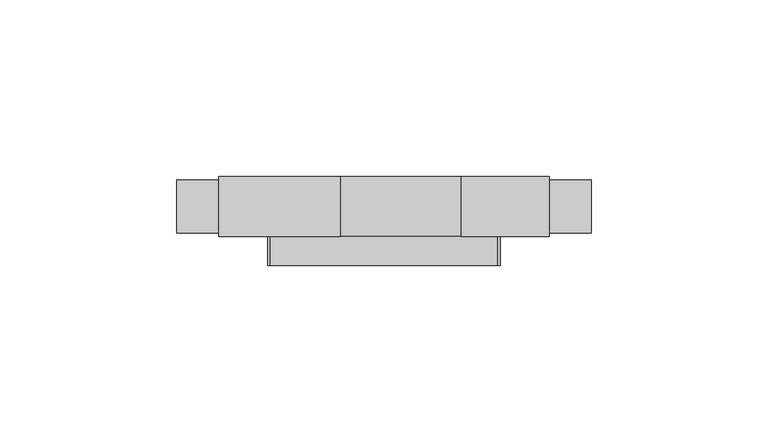
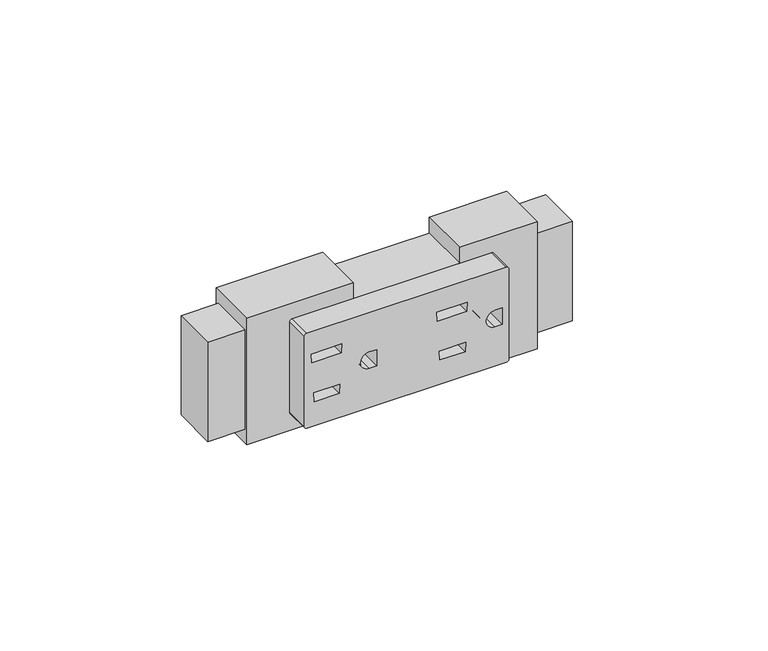
"""IFC4 building model written with IfcOpenShell, lengths in millimetres: furniture geometry."""

import ifcopenshell
import ifcopenshell.guid

model = None  # the IFC model being written
_history = None  # IfcOwnerHistory: only IFC2X3 demands one
_inside = {}  # id of a spatial element -> (the spatial element, [elements in it])
_under = {}  # id of a project, library or spatial element -> (it, [spatial elements below it])
_declared = {}  # id of a project -> (the project, [libraries it declares])
_typed = {}  # id of a type object -> (the type object, [elements of that type])
_made_of = {}  # id of a material, layer set ... -> (it, [elements and type objects made of it])


def new_model(schema):
    """Start an empty IFC model of exactly this schema.

    Asked for "IFC4X3", IfcOpenShell would pick the latest addendum, in which some entities
    have other attributes; the version numbers below select the first issue.
    IFC2X3 requires an IfcOwnerHistory on every rooted entity: one is made here for all.
    """
    global model, _history
    if schema == "IFC4X3":
        model = ifcopenshell.file(schema_version=(4, 3, 0, 0))
    else:
        model = ifcopenshell.file(schema=schema)
    _inside.clear()
    _under.clear()
    _declared.clear()
    _typed.clear()
    _made_of.clear()
    _history = None
    if model.schema == "IFC2X3":
        org = make("IfcOrganization", Name="unknown")
        user = make(
            "IfcPersonAndOrganization",
            ThePerson=make("IfcPerson", FamilyName="unknown"),
            TheOrganization=org,
        )
        app = make(
            "IfcApplication",
            ApplicationDeveloper=org,
            Version="unknown",
            ApplicationFullName="unknown",
            ApplicationIdentifier="unknown",
        )
        _history = make(
            "IfcOwnerHistory",
            OwningUser=user,
            OwningApplication=app,
            ChangeAction="ADDED",
            CreationDate=0,
        )
    return model


def make(cls, **values):
    """One entity of the class cls with the attributes given. An attribute that is None is left unset."""
    return model.create_entity(
        cls, **{name: value for name, value in values.items() if value is not None}
    )


def rooted(cls, **values):
    """An entity with a GlobalId (a new one), such as an element, a storey or a relation."""
    return make(cls, GlobalId=ifcopenshell.guid.new(), OwnerHistory=_history, **values)


def si_unit(unit_type, name, prefix=None):
    """IfcSIUnit, for example si_unit("LENGTHUNIT", "METRE", prefix="MILLI")."""
    return make("IfcSIUnit", UnitType=unit_type, Prefix=prefix, Name=name)


def assignment(units):
    """IfcUnitAssignment: the units of a project."""
    return None if units is None else make("IfcUnitAssignment", Units=units)


def point(xyz):
    """IfcCartesianPoint."""
    return None if xyz is None else make("IfcCartesianPoint", Coordinates=xyz)


def direction(xyz):
    """IfcDirection."""
    return None if xyz is None else make("IfcDirection", DirectionRatios=xyz)


def frame(location, z_axis=None, x_axis=None):
    """IfcAxis2Placement3D, a coordinate frame: its origin and axes. An axis left out is left unset."""
    return make(
        "IfcAxis2Placement3D",
        Location=point(location),
        Axis=direction(z_axis),
        RefDirection=direction(x_axis),
    )


def origin():
    """The frame at (0, 0, 0) with its axes left unset."""
    return frame((0.0, 0.0, 0.0))


def place(relative_to, where):
    """IfcLocalPlacement: puts the frame where relative to a parent placement (None: the world)."""
    return make(
        "IfcLocalPlacement", PlacementRelTo=relative_to, RelativePlacement=where
    )


def context(
    kind, dimensions, precision=None, world=None, true_north=None, identifier=None
):
    """IfcGeometricRepresentationContext, for example the 3D "Model" context."""
    return make(
        "IfcGeometricRepresentationContext",
        ContextIdentifier=identifier,
        ContextType=kind,
        CoordinateSpaceDimension=dimensions,
        Precision=precision,
        WorldCoordinateSystem=world,
        TrueNorth=true_north,
    )


def project(units=None, contexts=None):
    """IfcProject with its units and contexts."""
    return rooted(
        "IfcProject",
        Name="project",
        RepresentationContexts=contexts,
        UnitsInContext=assignment(units),
    )


def spatial(cls, under=None, at=None, **own):
    """A site, building, storey or space (cls), placed at a placement, below another one or the project."""
    s = rooted(cls, ObjectPlacement=at, **own)
    if under is not None:
        _under.setdefault(under.id(), (under, []))[1].append(s)
    return s


def polyline(points):
    """IfcPolyline through the points."""
    return make("IfcPolyline", Points=[point(p) for p in points])


def circle_curve(where, radius):
    """IfcCircle in the frame where."""
    return make("IfcCircle", Position=where, Radius=radius)


def faces_of(points, faces, orient=None, outer=None):
    """IfcFace entities. A face is a list of loops; a loop is a list of indices into points, from 0.

    orient and outer hold one flag for each loop. By default every Orientation is true, the
    first loop of a face is its IfcFaceOuterBound and the others are IfcFaceBound.
    """
    made = []
    for i, loops in enumerate(faces):
        bounds = []
        for j, loop in enumerate(loops):
            is_outer = j == 0 if outer is None else outer[i][j]
            bounds.append(
                make(
                    "IfcFaceOuterBound" if is_outer else "IfcFaceBound",
                    Bound=make("IfcPolyLoop", Polygon=[points[k] for k in loop]),
                    Orientation=True if orient is None else orient[i][j],
                )
            )
        made.append(make("IfcFace", Bounds=bounds))
    return made


def faceted_brep(points, faces, orient=None, outer=None, voids=None):
    """IfcFacetedBrep: a solid bounded by flat faces; with voids (closed shells), ...WithVoids."""
    shared = [point(p) for p in points]
    hull = make("IfcClosedShell", CfsFaces=faces_of(shared, faces, orient, outer))
    if voids is None:
        return make("IfcFacetedBrep", Outer=hull)
    return make(
        "IfcFacetedBrepWithVoids",
        Outer=hull,
        Voids=[
            make(cls, CfsFaces=faces_of(shared, fs, o, b)) for cls, fs, o, b in voids
        ],
    )


def shape(context_of_items, identifier, shape_type, items):
    """IfcShapeRepresentation: the items that make up one representation, for example the "Body"."""
    return make(
        "IfcShapeRepresentation",
        ContextOfItems=context_of_items,
        RepresentationIdentifier=identifier,
        RepresentationType=shape_type,
        Items=items,
    )


def source(mapping_origin, context_of_items, identifier, shape_type, items):
    """IfcRepresentationMap: a shape defined once, which mapped items show again and again."""
    return make(
        "IfcRepresentationMap",
        MappingOrigin=mapping_origin,
        MappedRepresentation=shape(context_of_items, identifier, shape_type, items),
    )


def transform(
    local_origin,
    x_axis=None,
    y_axis=None,
    z_axis=None,
    scale=None,
    scale2=None,
    scale3=None,
    uniform=True,
):
    """IfcCartesianTransformationOperator3D, or its non-uniform kind. x_axis, y_axis, z_axis: its Axis1, 2, 3."""
    if uniform:
        return make(
            "IfcCartesianTransformationOperator3D",
            Axis1=direction(x_axis),
            Axis2=direction(y_axis),
            LocalOrigin=point(local_origin),
            Scale=scale,
            Axis3=direction(z_axis),
        )
    return make(
        "IfcCartesianTransformationOperator3DnonUniform",
        Axis1=direction(x_axis),
        Axis2=direction(y_axis),
        LocalOrigin=point(local_origin),
        Scale=scale,
        Axis3=direction(z_axis),
        Scale2=scale2,
        Scale3=scale3,
    )


def mapped(mapping_source, mapping_target):
    """IfcMappedItem: shows the shape of a source again, moved by a transform."""
    return make(
        "IfcMappedItem", MappingSource=mapping_source, MappingTarget=mapping_target
    )


def made_of(thing, what):
    """Note that an element or type object is made of a material, layer set ...; save() writes the relation."""
    if what is not None:
        _made_of.setdefault(what.id(), (what, []))[1].append(thing)
    return thing


def element(
    cls,
    number,
    at=None,
    inside=None,
    cuts=None,
    type_object=None,
    material=None,
    context=None,
    identifier="Body",
    shape_type=None,
    held_by="IfcProductDefinitionShape",
    body=None,
    shapes=None,
    **own,
):
    """One element of the class cls, such as IfcWall. Its Tag is "e" and its number.

    at: its placement. inside: the storey or other place that contains it. cuts: it is an
    opening in that element (IfcRelVoidsElement). A single representation is given by context,
    identifier, shape_type and body (its items); several are given by shapes. held_by: the class
    of the entity that holds the representations. save() writes the other relations.
    """
    e = rooted(cls, Tag="e%d" % number, ObjectPlacement=at, **own)
    if body is not None:
        shapes = [shape(context, identifier, shape_type, body)]
    if shapes is not None:
        e.Representation = make(held_by, Representations=shapes)
    if inside is not None:
        _inside.setdefault(inside.id(), (inside, []))[1].append(e)
    if cuts is not None:
        rooted(
            "IfcRelVoidsElement", RelatingBuildingElement=cuts, RelatedOpeningElement=e
        )
    if type_object is not None:
        _typed.setdefault(type_object.id(), (type_object, []))[1].append(e)
    return made_of(e, material)


def aggregate(whole, parts):
    """IfcRelAggregates: a whole, such as a stair, and the parts it consists of."""
    return rooted("IfcRelAggregates", RelatingObject=whole, RelatedObjects=parts)


def save(model, path):
    """Write the relations noted so far, then the file.

    IfcRelAggregates (storeys below a building ...), IfcRelContainedInSpatialStructure (elements
    in a storey), IfcRelDefinesByType, IfcRelAssociatesMaterial and IfcRelDeclares: one each for
    every whole, place, type object, material and project.
    """
    for whole, parts in _under.values():
        aggregate(whole, parts)
    for where, things in _inside.values():
        rooted(
            "IfcRelContainedInSpatialStructure",
            RelatedElements=things,
            RelatingStructure=where,
        )
    for kind, things in _typed.values():
        rooted("IfcRelDefinesByType", RelatedObjects=things, RelatingType=kind)
    for what, things in _made_of.values():
        rooted("IfcRelAssociatesMaterial", RelatedObjects=things, RelatingMaterial=what)
    for by, libraries in _declared.values():
        rooted("IfcRelDeclares", RelatingContext=by, RelatedDefinitions=libraries)
    model.write(path)


def plane_surface(at):
    """IfcPlane: the flat surface through the origin of the frame at, square to its z axis."""
    return make("IfcPlane", Position=at)


def cylinder_surface(at, radius):
    """IfcCylindricalSurface: all points at the distance radius from the z axis of the frame at."""
    return make("IfcCylindricalSurface", Position=at, Radius=radius)


def revolved_surface(curve, axis_point, axis_direction):
    """IfcSurfaceOfRevolution: the curve turned about the line through axis_point along axis_direction."""
    return make(
        "IfcSurfaceOfRevolution",
        SweptCurve=make("IfcArbitraryOpenProfileDef", ProfileType="CURVE", Curve=curve),
        AxisPosition=make("IfcAxis1Placement", Location=point(axis_point), Axis=direction(axis_direction)),
    )


def advanced_brep(points, edges, surfaces, faces):
    """IfcAdvancedBrep: a solid bounded by faces that lie on surfaces and meet in shared edges.

    An edge is (start, end): straight between two places in points (the first is 0);
    or (start, end, curve); or (start, end, curve, False) where it runs against its curve.
    A face is (place in surfaces, loops), or (place, loops, False) where it looks against
    its surface's normal. A loop lists edges by number (the first is 1), with a minus sign
    where the edge is run from its end to its start. The first loop is the outer one.
    """
    corners = [point(p) for p in points]
    vertices = [make("IfcVertexPoint", VertexGeometry=c) for c in corners]
    made = []
    for start, end, *more in edges:
        made.append(
            make(
                "IfcEdgeCurve",
                EdgeStart=vertices[start],
                EdgeEnd=vertices[end],
                EdgeGeometry=more[0] if more else make("IfcPolyline", Points=[corners[start], corners[end]]),
                SameSense=more[1] if len(more) > 1 else True,
            )
        )
    hull = []
    for where, loops, *sense in faces:
        bounds = []
        for j, loop in enumerate(loops):
            ring = [make("IfcOrientedEdge", EdgeElement=made[abs(k) - 1], Orientation=k > 0) for k in loop]
            bounds.append(
                make(
                    "IfcFaceOuterBound" if j == 0 else "IfcFaceBound",
                    Bound=make("IfcEdgeLoop", EdgeList=ring),
                    Orientation=True,
                )
            )
        hull.append(make("IfcAdvancedFace", Bounds=bounds, FaceSurface=surfaces[where], SameSense=sense[0] if sense else True))
    return make("IfcAdvancedBrep", Outer=make("IfcClosedShell", CfsFaces=hull))


def furniture_3b64e5b6(model_context):
    return source(origin(), model_context, "Body", "SolidModel", [
        advanced_brep(
        [(32.1437184, -8.1280002, 562.7166881), (32.9056995, -8.1280002, 563.4786692), (32.9056995, -8.1280002, 594.2201573), (32.1454361, -8.1280002, 594.9804207), (-32.1437184, -8.1280002, 595.0254719), (-32.9056995, -8.1280002, 594.2634908), (-32.9056995, -8.1280002, 563.4786692), (-32.1437184, -8.1280002, 562.7166881), (-29.9246309, -8.1280002, 573.976793), (-21.4953586, -8.1280002, 574.0528785), (-21.6251063, -8.1280002, 570.9888576), (-29.7494423, -8.1280002, 570.9888576), (-30.5412497, -8.1280002, 584.4935566), (-30.7179061, -8.1280002, 587.5065267), (-20.9256599, -8.1280002, 587.5065267), (-21.0532457, -8.1280002, 584.4935566), (10.5815994, -8.1280002, 573.976793), (19.0108706, -8.1280002, 574.0528785), (18.881124, -8.1280002, 570.9888576), (10.756788, -8.1280002, 570.9888576), (9.9649807, -8.1280002, 584.4935566), (9.7883242, -8.1280002, 587.5065267), (19.5805704, -8.1280002, 587.5065267), (19.4529846, -8.1280002, 584.4935566), (-9.6269128, -8.1280002, 581.6419501), (-9.6269128, -8.1280002, 576.1001736), (-12.0211719, -8.1280002, 576.1001736), (-12.0211719, -8.1280002, 581.6419501), (30.8793175, -8.1280002, 581.6419501), (30.8793175, -8.1280002, 576.1001736), (28.4850573, -8.1280002, 576.1001736), (28.4850573, -8.1280002, 581.6419501), (32.1437184, 0.0, 562.7166881), (-32.1437184, 0.0, 562.7166881), (-32.9056995, 0.0, 563.4786692), (-32.9056995, 0.0, 594.2634908), (-32.1437184, 0.0, 595.0254719), (32.1454361, 0.0, 595.0254719), (32.9056995, 0.0, 594.2201573), (32.9056995, 0.0, 563.4786692), (-29.9246309, 0.0, 573.976793), (-29.7494423, 0.0, 570.9888576), (-21.6251063, 0.0, 570.9888576), (-21.4953586, 0.0, 574.0528785), (-30.5412497, 0.0, 584.4935566), (-21.0532457, 0.0, 584.4935566), (-20.9256599, 0.0, 587.5065267), (-30.7179061, 0.0, 587.5065267), (10.5815994, 0.0, 573.976793), (10.756788, 0.0, 570.9888576), (18.881124, 0.0, 570.9888576), (19.0108706, 0.0, 574.0528785), (9.9649807, 0.0, 584.4935566), (19.4529846, 0.0, 584.4935566), (19.5805704, 0.0, 587.5065267), (9.7883242, 0.0, 587.5065267), (-9.6269128, 0.0, 581.6419501), (-12.0211719, 0.0, 581.6419501), (-12.0211719, 0.0, 576.1001736), (-9.6269128, 0.0, 576.1001736), (30.8793175, 0.0, 581.6419501), (28.4850573, 0.0, 581.6419501), (28.4850573, 0.0, 576.1001736), (30.8793175, 0.0, 576.1001736)],
        [
            (0, 1, circle_curve(frame((32.1437184, -8.1280002, 563.4786692), z_axis=(0.0, -1.0, 0.0), x_axis=(-1.0, 0.0, 0.0)), 0.7619811)),
            (1, 2),
            (2, 3, circle_curve(frame((32.1454361, -8.1280002, 594.2201573), z_axis=(0.0, -1.0, 0.0), x_axis=(-1.0, 0.0, 0.0)), 0.7602634)),
            (3, 4),
            (4, 5, circle_curve(frame((-32.1437184, -8.1280002, 594.2634908), z_axis=(0.0, -1.0, 0.0), x_axis=(-1.0, 0.0, 0.0)), 0.7619811)),
            (5, 6),
            (6, 7, circle_curve(frame((-32.1437184, -8.1280002, 563.4786692), z_axis=(0.0, -1.0, 0.0), x_axis=(-1.0, 0.0, 0.0)), 0.7619811)),
            (7, 0),
            (8, 9),
            (9, 10),
            (10, 11),
            (11, 8),
            (12, 13),
            (13, 14),
            (14, 15),
            (15, 12),
            (16, 17),
            (17, 18),
            (18, 19),
            (19, 16),
            (20, 21),
            (21, 22),
            (22, 23),
            (23, 20),
            (24, 25),
            (25, 26),
            (26, 27, circle_curve(frame((-12.0211719, -8.1280002, 578.8710618), z_axis=(0.0, 1.0, 0.0), x_axis=(-1.0, 0.0, 0.0)), 2.7708883)),
            (27, 24),
            (28, 29),
            (29, 30),
            (30, 31, circle_curve(frame((28.4850573, -8.1280002, 578.8710618), z_axis=(0.0, 1.0, 0.0), x_axis=(-1.0, 0.0, 0.0)), 2.7708883)),
            (31, 28),
            (32, 33),
            (33, 34, circle_curve(frame((-32.1437184, 0.0, 563.4786692), z_axis=(0.0, 1.0, 0.0), x_axis=(-1.0, 0.0, 0.0)), 0.7619811)),
            (34, 35),
            (35, 36, circle_curve(frame((-32.1437184, 0.0, 594.2634908), z_axis=(0.0, 1.0, 0.0), x_axis=(-1.0, 0.0, 0.0)), 0.7619811)),
            (36, 37),
            (37, 38, circle_curve(frame((32.1454361, 0.0, 594.2201573), z_axis=(0.0, 1.0, 0.0), x_axis=(-1.0, 0.0, 0.0)), 0.7602634)),
            (38, 39),
            (39, 32, circle_curve(frame((32.1437184, 0.0, 563.4786692), z_axis=(0.0, 1.0, 0.0), x_axis=(-1.0, 0.0, 0.0)), 0.7619811)),
            (40, 41),
            (41, 42),
            (42, 43),
            (43, 40),
            (44, 45),
            (45, 46),
            (46, 47),
            (47, 44),
            (48, 49),
            (49, 50),
            (50, 51),
            (51, 48),
            (52, 53),
            (53, 54),
            (54, 55),
            (55, 52),
            (56, 57),
            (57, 58, circle_curve(frame((-12.0211719, 0.0, 578.8710618), z_axis=(0.0, -1.0, 0.0), x_axis=(-1.0, 0.0, 0.0)), 2.7708883)),
            (58, 59),
            (59, 56),
            (60, 61),
            (61, 62, circle_curve(frame((28.4850573, 0.0, 578.8710618), z_axis=(0.0, -1.0, 0.0), x_axis=(-1.0, 0.0, 0.0)), 2.7708883)),
            (62, 63),
            (63, 60),
            (0, 32),
            (39, 1),
            (38, 2),
            (37, 3),
            (36, 4),
            (35, 5),
            (34, 6),
            (33, 7),
            (8, 40),
            (43, 9),
            (42, 10),
            (41, 11),
            (12, 44),
            (47, 13),
            (46, 14),
            (45, 15),
            (16, 48),
            (51, 17),
            (50, 18),
            (49, 19),
            (20, 52),
            (55, 21),
            (54, 22),
            (53, 23),
            (24, 56),
            (59, 25),
            (58, 26),
            (57, 27),
            (28, 60),
            (63, 29),
            (62, 30),
            (61, 31),
        ],
        [
            plane_surface(frame((0.0, -8.1280002, 578.87108), z_axis=(0.0, -1.0, 0.0), x_axis=(0.0, 0.0, 1.0))),
            plane_surface(frame((0.0, 0.0, 578.87108), z_axis=(0.0, 1.0, 0.0), x_axis=(0.0, 0.0, 1.0))),
            cylinder_surface(frame((32.1437184, -8.1280002, 563.4786692), z_axis=(0.0, -1.0, 0.0), x_axis=(-1.0, 0.0, 0.0)), 0.7619811),
            plane_surface(frame((32.9056995, -8.1280002, 563.4786692), z_axis=(1.0, 0.0, 0.0), x_axis=(0.0, 1.0, 0.0))),
            cylinder_surface(frame((32.1454361, -8.1280002, 594.2201573), z_axis=(0.0, -1.0, 0.0), x_axis=(-1.0, 0.0, 0.0)), 0.7602634),
            plane_surface(frame((32.1454361, -8.1280002, 595.0254719), z_axis=(0.0, 0.0, 1.0), x_axis=(0.0, 1.0, 0.0))),
            cylinder_surface(frame((-32.1437184, -8.1280002, 594.2634908), z_axis=(0.0, -1.0, 0.0), x_axis=(-1.0, 0.0, 0.0)), 0.7619811),
            plane_surface(frame((-32.9056995, -8.1280002, 594.2634908), z_axis=(-1.0, 0.0, 0.0), x_axis=(0.0, 1.0, 0.0))),
            cylinder_surface(frame((-32.1437184, -8.1280002, 563.4786692), z_axis=(0.0, -1.0, 0.0), x_axis=(-1.0, 0.0, 0.0)), 0.7619811),
            plane_surface(frame((-32.1437184, -8.1280002, 562.7166881), z_axis=(0.0, 0.0, -1.0), x_axis=(0.0, 1.0, 0.0))),
            plane_surface(frame((-29.9246309, -8.1280002, 573.976793), z_axis=(0.00902597341965065, 0.0, -0.9999592650722468), x_axis=(0.0, 1.0, 0.0))),
            plane_surface(frame((-21.4953586, -8.1280002, 574.0528785), z_axis=(-0.9991046302588076, 0.0, 0.04230765646323739), x_axis=(0.0, 1.0, 0.0))),
            plane_surface(frame((-21.6251063, -8.1280002, 570.9888576), z_axis=(0.0, 0.0, 1.0), x_axis=(0.0, 1.0, 0.0))),
            plane_surface(frame((-29.7494423, -8.1280002, 570.9888576), z_axis=(0.9982855640216859, 0.0, 0.058531467313785085), x_axis=(0.0, 1.0, 0.0))),
            plane_surface(frame((-30.5412497, -8.1280002, 584.4935566), z_axis=(0.9982855640216859, 0.0, 0.05853146731378498), x_axis=(0.0, 1.0, 0.0))),
            plane_surface(frame((-30.7179061, -8.1280002, 587.5065267), z_axis=(0.0, 0.0, -1.0), x_axis=(0.0, 1.0, 0.0))),
            plane_surface(frame((-20.9256599, -8.1280002, 587.5065267), z_axis=(-0.999104632536471, 0.0, 0.042307602675681566), x_axis=(0.0, 1.0, 0.0))),
            plane_surface(frame((-21.0532457, -8.1280002, 584.4935566), z_axis=(0.0, 0.0, 1.0), x_axis=(0.0, 1.0, 0.0))),
            plane_surface(frame((10.5815994, -8.1280002, 573.976793), z_axis=(0.009025973419648815, 0.0, -0.9999592650722468), x_axis=(0.0, 1.0, 0.0))),
            plane_surface(frame((19.0108706, -8.1280002, 574.0528785), z_axis=(-0.9991046459090978, 0.0, 0.042307286876569365), x_axis=(0.0, 1.0, 0.0))),
            plane_surface(frame((18.881124, -8.1280002, 570.9888576), z_axis=(0.0, 0.0, 1.0), x_axis=(0.0, 1.0, 0.0))),
            plane_surface(frame((10.756788, -8.1280002, 570.9888576), z_axis=(0.9982855640216858, 0.0, 0.05853146731378538), x_axis=(0.0, 1.0, 0.0))),
            plane_surface(frame((9.9649807, -8.1280002, 584.4935566), z_axis=(0.9982855640216858, 0.0, 0.05853146731378638), x_axis=(0.0, 1.0, 0.0))),
            plane_surface(frame((9.7883242, -8.1280002, 587.5065267), z_axis=(0.0, 0.0, -1.0), x_axis=(0.0, 1.0, 0.0))),
            plane_surface(frame((19.5805704, -8.1280002, 587.5065267), z_axis=(-0.999104632536471, 0.0, 0.042307602675681566), x_axis=(0.0, 1.0, 0.0))),
            plane_surface(frame((19.4529846, -8.1280002, 584.4935566), z_axis=(0.0, 0.0, 1.0), x_axis=(0.0, 1.0, 0.0))),
            plane_surface(frame((-9.6269128, -8.1280002, 581.6419501), z_axis=(-1.0, 0.0, 0.0), x_axis=(0.0, 1.0, 0.0))),
            plane_surface(frame((-9.6269128, -8.1280002, 576.1001736), z_axis=(0.0, 0.0, 1.0), x_axis=(0.0, 1.0, 0.0))),
            revolved_surface(polyline([(-14.792060200000002, 0.0, 578.8710618), (-14.792060200000002, -8.1280002, 578.8710618)]), (-12.0211719, -8.1280002, 578.8710618), (0.0, 1.0, 0.0)),
            plane_surface(frame((-12.0211719, -8.1280002, 581.6419501), z_axis=(0.0, 0.0, -1.0), x_axis=(0.0, 1.0, 0.0))),
            plane_surface(frame((30.8793175, -8.1280002, 581.6419501), z_axis=(-1.0, 0.0, 0.0), x_axis=(0.0, 1.0, 0.0))),
            plane_surface(frame((30.8793175, -8.1280002, 576.1001736), z_axis=(0.0, 0.0, 1.0), x_axis=(0.0, 1.0, 0.0))),
            revolved_surface(polyline([(25.714169000000002, 0.0, 578.8710618), (25.714169000000002, -8.1280002, 578.8710618)]), (28.4850573, -8.1280002, 578.8710618), (0.0, 1.0, 0.0)),
            plane_surface(frame((28.4850573, -8.1280002, 581.6419501), z_axis=(0.0, 0.0, -1.0), x_axis=(0.0, 1.0, 0.0))),
        ],
        [
            (0, [[1, 2, 3, 4, 5, 6, 7, 8], [9, 10, 11, 12], [13, 14, 15, 16], [17, 18, 19, 20], [21, 22, 23, 24], [25, 26, 27, 28], [29, 30, 31, 32]]),
            (1, [[33, 34, 35, 36, 37, 38, 39, 40], [41, 42, 43, 44], [45, 46, 47, 48], [49, 50, 51, 52], [53, 54, 55, 56], [57, 58, 59, 60], [61, 62, 63, 64]]),
            (2, [[-1, 65, -40, 66]]),
            (3, [[-2, -66, -39, 67]]),
            (4, [[-3, -67, -38, 68]]),
            (5, [[-4, -68, -37, 69]]),
            (6, [[-5, -69, -36, 70]]),
            (7, [[-6, -70, -35, 71]]),
            (8, [[-7, -71, -34, 72]]),
            (9, [[-8, -72, -33, -65]]),
            (10, [[-9, 73, -44, 74]]),
            (11, [[-10, -74, -43, 75]]),
            (12, [[-11, -75, -42, 76]]),
            (13, [[-12, -76, -41, -73]]),
            (14, [[-13, 77, -48, 78]]),
            (15, [[-14, -78, -47, 79]]),
            (16, [[-15, -79, -46, 80]]),
            (17, [[-16, -80, -45, -77]]),
            (18, [[-17, 81, -52, 82]]),
            (19, [[-18, -82, -51, 83]]),
            (20, [[-19, -83, -50, 84]]),
            (21, [[-20, -84, -49, -81]]),
            (22, [[-21, 85, -56, 86]]),
            (23, [[-22, -86, -55, 87]]),
            (24, [[-23, -87, -54, 88]]),
            (25, [[-24, -88, -53, -85]]),
            (26, [[-25, 89, -60, 90]]),
            (27, [[-26, -90, -59, 91]]),
            (28, [[-27, -91, -58, 92]]),
            (29, [[-28, -92, -57, -89]]),
            (30, [[-29, 93, -64, 94]]),
            (31, [[-30, -94, -63, 95]]),
            (32, [[-31, -95, -62, 96]]),
            (33, [[-32, -96, -61, -93]]),
        ],
    ),
        faceted_brep([(-46.7995008, 17.0179997, 557.2810824), (-46.7995008, 17.0179997, 600.4610776), (-12.4333004, 17.0179997, 600.4610776), (-12.4333004, 17.0179997, 595.0254719), (21.9074995, 17.0179997, 595.0254719), (21.9074995, 17.0179997, 600.4610776), (46.7995008, 17.0179997, 600.4610776), (46.7995008, 17.0179997, 557.2810824), (21.9074995, 17.0179997, 557.2810824), (21.9074995, 17.0179997, 562.7166881), (-12.4333004, 17.0179997, 562.7166881), (-12.4333004, 17.0179997, 557.2810824), (-46.7995008, 0.0, 600.4610776), (-46.7995008, 0.0, 557.2810824), (-12.4333004, 0.0, 557.2810824), (-12.4333004, 0.0, 562.7166881), (21.9074995, 0.0, 562.7166881), (21.9074995, 0.0, 557.2810824), (46.7995008, 0.0, 557.2810824), (46.7995008, 0.0, 600.4610776), (21.9074995, 0.0, 600.4610776), (21.9074995, 0.0, 595.0254719), (-12.4333004, 0.0, 595.0254719), (-12.4333004, 0.0, 600.4610776), (-58.6867022, 15.9511998, 561.9419898), (-58.6867022, 0.9906, 561.9419898), (-58.6867022, 0.9906, 595.8001702), (-58.6867022, 15.9511998, 595.8001702), (-46.7995008, 0.9906, 595.8001702), (-46.7995008, 15.9511998, 595.8001702), (-46.7995008, 0.9906, 561.9419898), (-46.7995008, 15.9511998, 561.9419898), (46.7995008, 15.9511998, 595.8001702), (46.7995008, 15.9511998, 561.9419898), (46.7995008, 0.9906, 561.9419898), (46.7995008, 0.9906, 595.8001702), (58.6867022, 0.9906, 595.8001702), (58.6867022, 15.9511998, 595.8001702), (58.6867022, 0.9906, 561.9419898), (58.6867022, 15.9511998, 561.9419898)], [[[0, 1, 2, 3, 4, 5, 6, 7, 8, 9, 10, 11]], [[12, 13, 14, 15, 16, 17, 18, 19, 20, 21, 22, 23]], [[24, 25, 26, 27]], [[27, 26, 28, 29]], [[0, 13, 12, 1], [28, 30, 31, 29]], [[2, 1, 12, 23]], [[3, 2, 23, 22]], [[4, 3, 22, 21]], [[5, 4, 21, 20]], [[6, 5, 20, 19]], [[6, 19, 18, 7], [32, 33, 34, 35]], [[32, 35, 36, 37]], [[37, 36, 38, 39]], [[39, 38, 34, 33]], [[8, 7, 18, 17]], [[9, 8, 17, 16]], [[10, 9, 16, 15]], [[11, 10, 15, 14]], [[0, 11, 14, 13]], [[25, 24, 31, 30]], [[29, 31, 24, 27]], [[30, 28, 26, 25]], [[35, 34, 38, 36]], [[33, 32, 37, 39]]]),
    ])


if __name__ == "__main__":
    model = new_model("IFC4")
    model_context = context("Model", 3, world=origin())
    ifc_project = project(units=[si_unit("LENGTHUNIT", "METRE", prefix="MILLI")], contexts=[model_context])
    site = spatial("IfcSite", under=ifc_project)
    building = spatial("IfcBuilding", under=site)
    placement = place(None, origin())
    furniture_shape = furniture_3b64e5b6(model_context)
    element("IfcFurniture", 1, at=placement, inside=building, context=model_context, shape_type="MappedRepresentation", body=[
        mapped(furniture_shape, transform((0.0, 0.0, 0.0), x_axis=(1.0, 0.0, 0.0), y_axis=(0.0, 1.0, 0.0), z_axis=(0.0, 0.0, 1.0))),
    ])
    save(model, "model.ifc")
